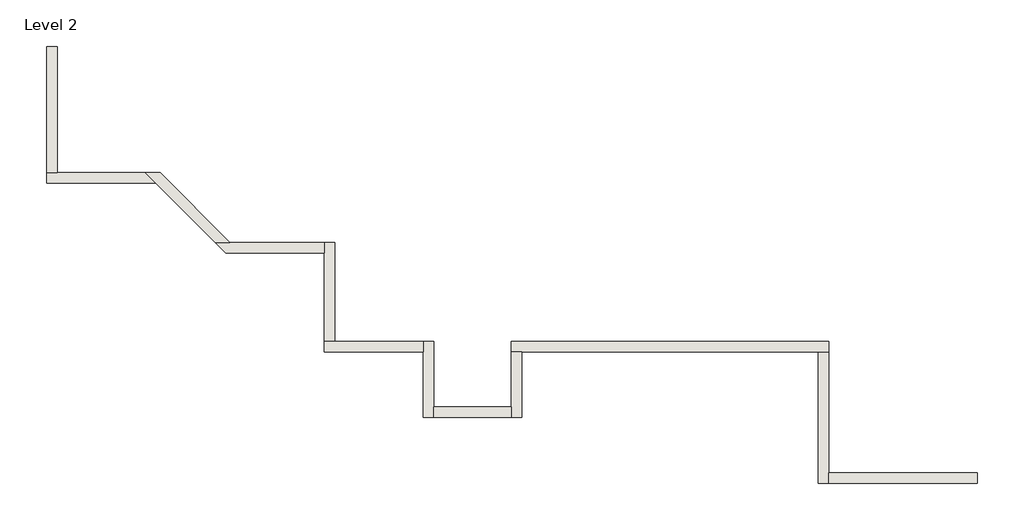
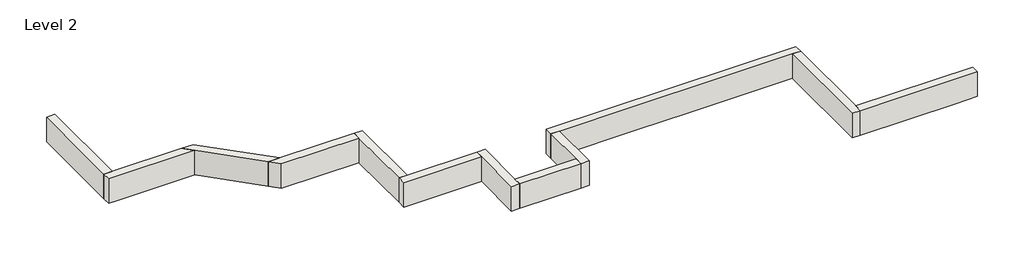
# One storey: 12 walls.
"""IFC4 building model written with IfcOpenShell, lengths in millimetres."""

from ifc_helpers import new_model, si_unit, frame, origin, place, context, project, spatial, polyline, outline, extrude, faceted_brep, element, save

model = new_model("IFC4")

# Units and contexts
model_context = context("Model", 3, world=origin())
ifc_project = project(units=[si_unit("LENGTHUNIT", "METRE", prefix="MILLI")], contexts=[model_context])

# Site, building, storey
site = spatial("IfcSite", under=ifc_project)
building = spatial("IfcBuilding", under=site)
storey = spatial("IfcBuildingStorey", under=building, Name="Level 2", Elevation=3048.0)

# Walls
placement = place(None, origin())
element("IfcWall", 1, ObjectType="Generic - 8\" Brick", at=placement, inside=storey, context=model_context, shape_type="Brep", body=[
    faceted_brep([(7508.832857, 1412.8726187, 3048.0), (4876.757857, 1412.8726187, 3048.0), (3657.557857, 1412.8726187, 3048.0), (1635.0852383, 1412.8726187, 3048.0), (1635.0852383, 1412.8726187, 3657.6), (7508.832857, 1412.8726187, 3657.6), (7508.832857, 1219.1976187, 3048.0), (7508.832857, 1219.1976187, 3657.6), (7315.157857, 1219.1976187, 3657.6), (1828.7602383, 1219.1976187, 3657.6), (1635.0852383, 1219.1976187, 3657.6), (1635.0852383, 1219.1976187, 3048.0), (1828.7602383, 1219.1976187, 3048.0), (3657.557857, 1219.1976187, 3048.0), (4876.757857, 1219.1976187, 3048.0), (7315.157857, 1219.1976187, 3048.0)], [[[0, 1, 2, 3, 4, 5]], [[6, 7, 8, 9, 10, 11, 12, 13, 14, 15]], [[3, 2, 1, 0, 6, 15, 14, 13, 12, 11]], [[5, 4, 10, 9, 8, 7]], [[4, 3, 11, 10]], [[0, 5, 7, 6]]]),
])
element("IfcWall", 2, ObjectType="Generic - 8\" Brick", at=placement, inside=storey, context=model_context, shape_type="Brep", body=[
    faceted_brep([(1635.0852383, 1219.1976187, 3048.0), (1635.0852383, 193.675, 3048.0), (1635.0852383, 0.0, 3048.0), (1635.0852383, 0.0, 3657.6), (1635.0852383, 193.675, 3657.6), (1635.0852383, 1219.1976187, 3657.6), (1828.7602383, 1219.1976187, 3048.0), (1828.7602383, 1219.1976187, 3657.6), (1828.7602383, 0.0, 3657.6), (1828.7602383, 0.0, 3048.0)], [[[0, 1, 2, 3, 4, 5]], [[6, 7, 8, 9]], [[2, 1, 0, 6, 9]], [[5, 4, 3, 8, 7]], [[0, 5, 7, 6]], [[3, 2, 9, 8]]]),
])
element("IfcWall", 3, ObjectType="Generic - 8\" Brick", at=placement, inside=storey, context=model_context, shape_type="SweptSolid", body=[
    extrude(outline(polyline([(193.632857, 193.675), (1635.0852383, 193.675), (1635.0852383, 0.0), (193.632857, 0.0), (193.632857, 193.675)])), frame((0.0, 0.0, 3048.0), z_axis=(0.0, 0.0, 1.0), x_axis=(1.0, 0.0, 0.0)), (0.0, 0.0, 1.0), 609.6),
])
element("IfcWall", 4, ObjectType="Generic - 8\" Brick", at=placement, inside=storey, context=model_context, shape_type="Brep", body=[
    faceted_brep([(193.632857, 0.0, 3048.0), (193.632857, 193.675, 3048.0), (193.632857, 1412.8726187, 3048.0), (193.632857, 1412.8726187, 3657.6), (193.632857, 193.675, 3657.6), (193.632857, 0.0, 3657.6), (-0.042143, 0.0, 3048.0), (-0.042143, 0.0, 3657.6), (-0.042143, 1219.1976187, 3657.6), (-0.042143, 1412.8726187, 3657.6), (-0.042143, 1412.8726187, 3048.0), (-0.042143, 1219.1976187, 3048.0)], [[[0, 1, 2, 3, 4, 5]], [[6, 7, 8, 9, 10, 11]], [[2, 1, 0, 6, 11, 10]], [[5, 4, 3, 9, 8, 7]], [[0, 5, 7, 6]], [[3, 2, 10, 9]]]),
])
element("IfcWall", 5, ObjectType="Generic - 8\" Brick", at=placement, inside=storey, context=model_context, shape_type="Brep", body=[
    faceted_brep([(-0.042143, 1412.8726187, 3048.0), (-1635.135393, 1412.8726187, 3048.0), (-1828.810393, 1412.8726187, 3048.0), (-1828.810393, 1412.8726187, 3657.6), (-1635.135393, 1412.8726187, 3657.6), (-0.042143, 1412.8726187, 3657.6), (-0.042143, 1219.1976187, 3048.0), (-0.042143, 1219.1976187, 3657.6), (-1828.810393, 1219.1976187, 3657.6), (-1828.810393, 1219.1976187, 3048.0)], [[[0, 1, 2, 3, 4, 5]], [[6, 7, 8, 9]], [[2, 1, 0, 6, 9]], [[5, 4, 3, 8, 7]], [[0, 5, 7, 6]], [[3, 2, 9, 8]]]),
])
element("IfcWall", 6, ObjectType="Generic - 8\" Brick", at=placement, inside=storey, context=model_context, shape_type="Brep", body=[
    faceted_brep([(-1635.135393, 1412.8726187, 3048.0), (-1635.135393, 3241.6590504, 3048.0), (-1635.135393, 3241.6590504, 3657.6), (-1635.135393, 1412.8726187, 3657.6), (-1828.810393, 1412.8726187, 3048.0), (-1828.810393, 1412.8726187, 3657.6), (-1828.810393, 3047.9840504, 3657.6), (-1828.810393, 3241.6590504, 3657.6), (-1828.810393, 3241.6590504, 3048.0), (-1828.810393, 3047.9840504, 3048.0)], [[[0, 1, 2, 3]], [[4, 5, 6, 7, 8, 9]], [[1, 0, 4, 9, 8]], [[3, 2, 7, 6, 5]], [[0, 3, 5, 4]], [[2, 1, 8, 7]]]),
])
element("IfcWall", 7, ObjectType="Generic - 8\" Brick", at=placement, inside=storey, context=model_context, shape_type="Brep", body=[
    faceted_brep([(7508.832857, -1219.1571375, 3048.0), (7508.832857, -1025.4821375, 3048.0), (7508.832857, 1219.1976187, 3048.0), (7508.832857, 1219.1976187, 3657.6), (7508.832857, -1025.4821375, 3657.6), (7508.832857, -1219.1571375, 3657.6), (7315.157857, -1219.1571375, 3048.0), (7315.157857, -1219.1571375, 3657.6), (7315.157857, 1219.1976187, 3657.6), (7315.157857, 1219.1976187, 3048.0)], [[[0, 1, 2, 3, 4, 5]], [[6, 7, 8, 9]], [[2, 1, 0, 6, 9]], [[5, 4, 3, 8, 7]], [[3, 2, 9, 8]], [[0, 5, 7, 6]]]),
])
element("IfcWall", 8, ObjectType="Generic - 8\" Brick", at=placement, inside=storey, context=model_context, shape_type="Brep", body=[
    faceted_brep([(-1828.810393, 3241.6590504, 3048.0), (-3577.3749143, 3241.6590504, 3048.0), (-3851.272726, 3241.6590504, 3048.0), (-3851.272726, 3241.6590504, 3657.6), (-3577.3749143, 3241.6590504, 3657.6), (-1828.810393, 3241.6590504, 3657.6), (-1828.810393, 3047.9840504, 3048.0), (-1828.810393, 3047.9840504, 3657.6), (-3657.597726, 3047.9840504, 3657.6), (-3657.597726, 3047.9840504, 3048.0)], [[[0, 1, 2, 3, 4, 5]], [[6, 7, 8, 9]], [[2, 1, 0, 6, 9]], [[5, 4, 3, 8, 7]], [[0, 5, 7, 6]], [[3, 2, 9, 8]]]),
])
element("IfcWall", 9, ObjectType="Generic - 8\" Brick", at=placement, inside=storey, context=model_context, shape_type="Brep", body=[
    faceted_brep([(-3577.3749143, 3241.6590504, 3048.0), (-4870.4863099, 4534.7704459, 3048.0), (-4870.4863099, 4534.7704459, 3657.6), (-3577.3749143, 3241.6590504, 3657.6), (-3851.272726, 3241.6590504, 3048.0), (-3851.272726, 3241.6590504, 3657.6), (-4950.7091215, 4341.0954459, 3657.6), (-5144.3841215, 4534.7704459, 3657.6), (-5144.3841215, 4534.7704459, 3048.0), (-4950.7091215, 4341.0954459, 3048.0)], [[[0, 1, 2, 3]], [[4, 5, 6, 7, 8, 9]], [[1, 0, 4, 9, 8]], [[3, 2, 7, 6, 5]], [[0, 3, 5, 4]], [[2, 1, 8, 7]]]),
])
element("IfcWall", 10, ObjectType="Generic - 8\" Brick", at=placement, inside=storey, context=model_context, shape_type="Brep", body=[
    faceted_brep([(10266.3227383, -1025.4821375, 3048.0), (9753.5602383, -1025.4821375, 3048.0), (7508.832857, -1025.4821375, 3048.0), (7508.832857, -1025.4821375, 3657.6), (10266.3227383, -1025.4821375, 3657.6), (10266.3227383, -1219.1571375, 3048.0), (10266.3227383, -1219.1571375, 3657.6), (7508.832857, -1219.1571375, 3657.6), (7508.832857, -1219.1571375, 3048.0), (9753.5602383, -1219.1571375, 3048.0)], [[[0, 1, 2, 3, 4]], [[5, 6, 7, 8, 9]], [[2, 1, 0, 5, 9, 8]], [[4, 3, 7, 6]], [[0, 4, 6, 5]], [[3, 2, 8, 7]]]),
])
element("IfcWall", 11, ObjectType="Generic - 8\" Brick", at=placement, inside=storey, context=model_context, shape_type="Brep", body=[
    faceted_brep([(-5144.3841215, 4534.7704459, 3048.0), (-6779.536109, 4534.7704459, 3048.0), (-6973.211109, 4534.7704459, 3048.0), (-6973.211109, 4534.7704459, 3657.6), (-6779.536109, 4534.7704459, 3657.6), (-5144.3841215, 4534.7704459, 3657.6), (-4950.7091215, 4341.0954459, 3048.0), (-4950.7091215, 4341.0954459, 3657.6), (-6973.211109, 4341.0954459, 3657.6), (-6973.211109, 4341.0954459, 3048.0), (-6779.536109, 4341.0954459, 3048.0)], [[[0, 1, 2, 3, 4, 5]], [[6, 7, 8, 9, 10]], [[2, 1, 0, 6, 10, 9]], [[5, 4, 3, 8, 7]], [[3, 2, 9, 8]], [[0, 5, 7, 6]]]),
])
element("IfcWall", 12, ObjectType="Generic - 8\" Brick", at=placement, inside=storey, context=model_context, shape_type="SweptSolid", body=[
    extrude(outline(polyline([(-6779.536109, 6876.3329459), (-6779.536109, 4534.7704459), (-6973.211109, 4534.7704459), (-6973.211109, 6876.3329459), (-6779.536109, 6876.3329459)])), frame((0.0, 0.0, 3048.0), z_axis=(0.0, 0.0, 1.0), x_axis=(1.0, 0.0, 0.0)), (0.0, 0.0, 1.0), 609.6),
])

save(model, "model.ifc")
